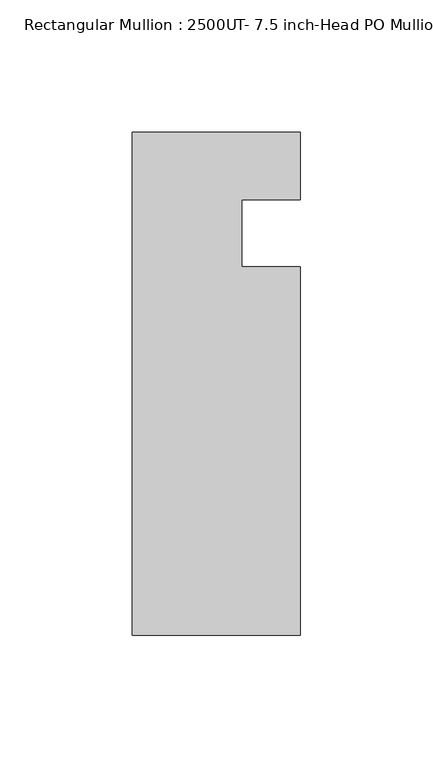
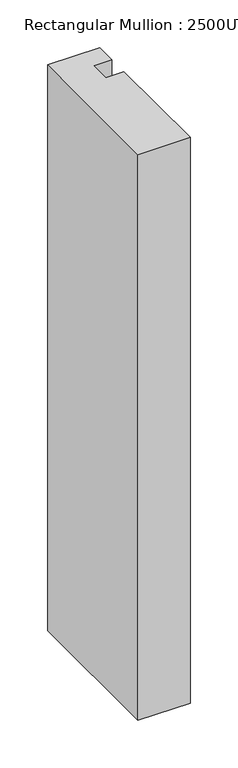
"""IFC4 building model written with IfcOpenShell, lengths in millimetres: member geometry, Rectangular Mullion : 2500UT- 7.5 inch-Head PO Mullion."""

from ifc_helpers import new_model, si_unit, frame, origin, place, context, project, spatial, polyline, outline, extrude, source, transform, mapped, element, save


def rectangular_mullion_2500ut_7_5_inch_head_po_mullion_7b8b58f3(model_context):
    return source(origin(), model_context, "Body", "SweptSolid", [
        extrude(outline(polyline([(-31.75, -151.892), (-31.75, 38.1), (31.75, 38.1), (31.75, 12.7), (9.525, 12.7), (9.525, -12.7), (31.75, -12.7), (31.75, -151.892), (-31.75, -151.892)])), frame((0.0, 0.0, -726.7439561), z_axis=(0.0, 0.0, 1.0), x_axis=(1.0, 0.0, 0.0)), (0.0, 0.0, 1.0), 726.7439561),
    ])


if __name__ == "__main__":
    model = new_model("IFC4")
    model_context = context("Model", 3, world=origin())
    ifc_project = project(units=[si_unit("LENGTHUNIT", "METRE", prefix="MILLI")], contexts=[model_context])
    site = spatial("IfcSite", under=ifc_project)
    building = spatial("IfcBuilding", under=site)
    placement = place(None, origin())
    rectangular_mullion_2500ut_7_5_inch_head_po_mullion_shape = rectangular_mullion_2500ut_7_5_inch_head_po_mullion_7b8b58f3(model_context)
    element("IfcMember", 1, ObjectType="Rectangular Mullion : 2500UT- 7.5 inch-Head PO Mullion", at=placement, inside=building, context=model_context, shape_type="MappedRepresentation", body=[
        mapped(rectangular_mullion_2500ut_7_5_inch_head_po_mullion_shape, transform((0.0, 0.0, 0.0), x_axis=(1.0, 0.0, 0.0), y_axis=(0.0, 1.0, 0.0), z_axis=(0.0, 0.0, 1.0))),
    ])
    save(model, "model.ifc")
